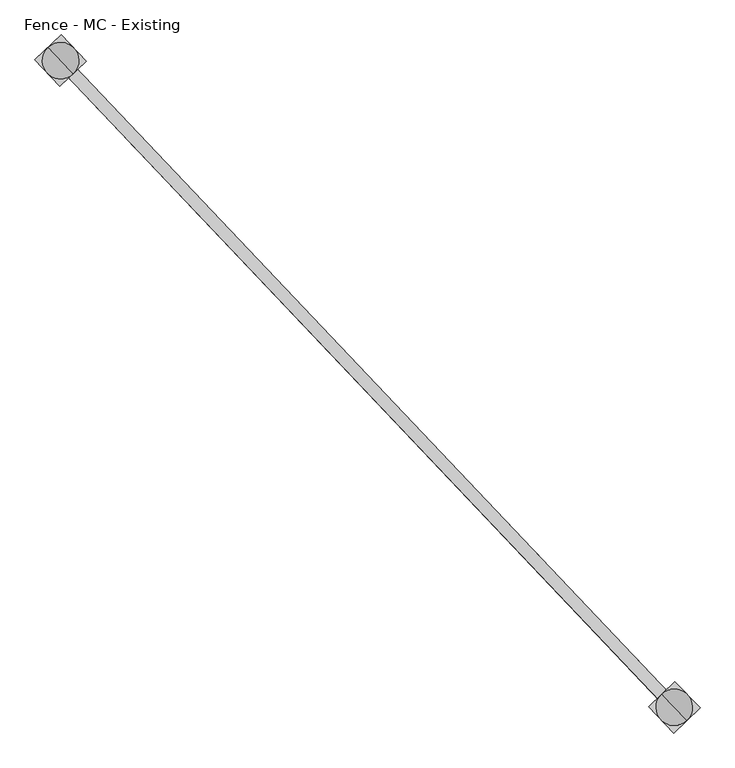
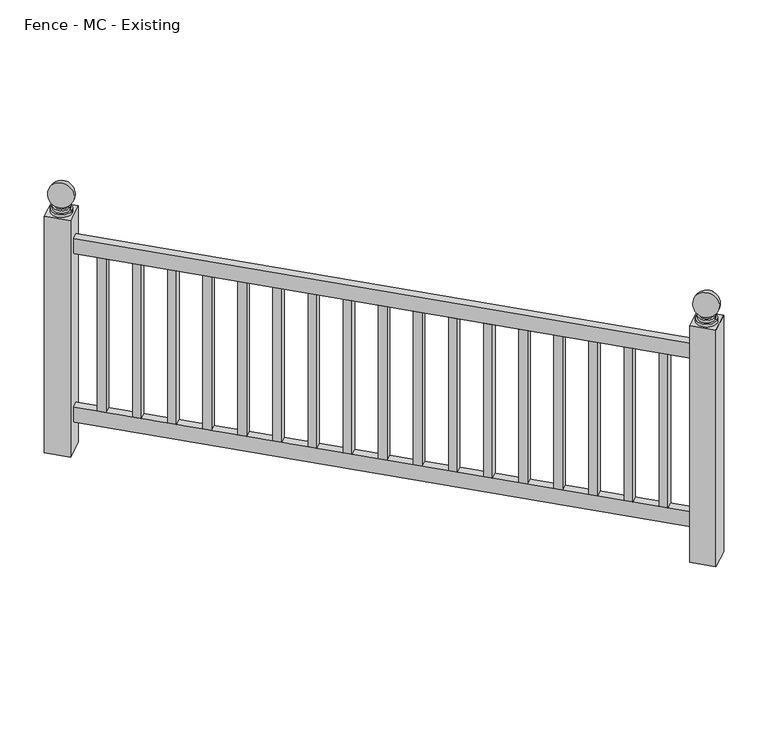
"""IFC4 building model written with IfcOpenShell, lengths in millimetres: railing geometry, Fence - MC - Existing."""

from ifc_helpers import new_model, si_unit, point, frame, origin, place, context, project, spatial, polyline, circle_curve, ellipse_curve, trimmed, outline, extrude, source, transform, mapped, element, save
from ifc_brep_helpers import plane_surface, cylinder_surface, revolved_surface, advanced_brep


def fence_mc_existing_2376e218(model_context):
    return source(origin(), model_context, "Body", "SolidModel", [
        extrude(outline(polyline([(104516.2191087, 39747.0575446), (104497.7945997, 39729.5733384), (103212.7054423, 41083.7747516), (103231.1299514, 41101.2589579), (104516.2191087, 39747.0575446)])), frame((0.0, 0.0, 27660.6), z_axis=(0.0, 0.0, 1.0), x_axis=(1.0, 0.0, 0.0)), (0.0, 0.0, 1.0), 50.8),
        extrude(outline(polyline([(104516.2191087, 39747.0575446), (104497.7945997, 39729.5733384), (103212.7054423, 41083.7747516), (103231.1299514, 41101.2589579), (104516.2191087, 39747.0575446)])), frame((0.0, 0.0, 27089.1), z_axis=(0.0, 0.0, 1.0), x_axis=(1.0, 0.0, 0.0)), (0.0, 0.0, 1.0), 50.8),
        extrude(outline(polyline([(103252.9852091, 41078.2283216), (103234.5607001, 41060.7441154), (103217.0764939, 41079.1686244), (103235.5010029, 41096.6528306), (103252.9852091, 41078.2283216)])), frame((0.0, 0.0, 27139.9), z_axis=(0.0, 0.0, 1.0), x_axis=(1.0, 0.0, 0.0)), (0.0, 0.0, 1.0), 520.7),
        extrude(outline(polyline([(103322.922034, 41004.5302855), (103304.497525, 40987.0460793), (103287.0133188, 41005.4705883), (103305.4378278, 41022.9547945), (103322.922034, 41004.5302855)])), frame((0.0, 0.0, 27139.9), z_axis=(0.0, 0.0, 1.0), x_axis=(1.0, 0.0, 0.0)), (0.0, 0.0, 1.0), 520.7),
        extrude(outline(polyline([(103392.8588589, 40930.8322494), (103374.4343499, 40913.3480432), (103356.9501437, 40931.7725522), (103375.3746527, 40949.2567584), (103392.8588589, 40930.8322494)])), frame((0.0, 0.0, 27139.9), z_axis=(0.0, 0.0, 1.0), x_axis=(1.0, 0.0, 0.0)), (0.0, 0.0, 1.0), 520.7),
        extrude(outline(polyline([(103462.7956838, 40857.1342133), (103444.3711748, 40839.6500071), (103426.8869686, 40858.0745161), (103445.3114776, 40875.5587223), (103462.7956838, 40857.1342133)])), frame((0.0, 0.0, 27139.9), z_axis=(0.0, 0.0, 1.0), x_axis=(1.0, 0.0, 0.0)), (0.0, 0.0, 1.0), 520.7),
        extrude(outline(polyline([(103532.7325087, 40783.4361772), (103514.3079997, 40765.951971), (103496.8237935, 40784.37648), (103515.2483025, 40801.8606862), (103532.7325087, 40783.4361772)])), frame((0.0, 0.0, 27139.9), z_axis=(0.0, 0.0, 1.0), x_axis=(1.0, 0.0, 0.0)), (0.0, 0.0, 1.0), 520.7),
        extrude(outline(polyline([(103602.6693336, 40709.7381411), (103584.2448246, 40692.2539349), (103566.7606184, 40710.6784439), (103585.1851274, 40728.1626501), (103602.6693336, 40709.7381411)])), frame((0.0, 0.0, 27139.9), z_axis=(0.0, 0.0, 1.0), x_axis=(1.0, 0.0, 0.0)), (0.0, 0.0, 1.0), 520.7),
        extrude(outline(polyline([(103672.6061585, 40636.040105), (103654.1816495, 40618.5558988), (103636.6974432, 40636.9804078), (103655.1219523, 40654.464614), (103672.6061585, 40636.040105)])), frame((0.0, 0.0, 27139.9), z_axis=(0.0, 0.0, 1.0), x_axis=(1.0, 0.0, 0.0)), (0.0, 0.0, 1.0), 520.7),
        extrude(outline(polyline([(103742.5429834, 40562.3420689), (103724.1184744, 40544.8578627), (103706.6342681, 40563.2823717), (103725.0587772, 40580.7665779), (103742.5429834, 40562.3420689)])), frame((0.0, 0.0, 27139.9), z_axis=(0.0, 0.0, 1.0), x_axis=(1.0, 0.0, 0.0)), (0.0, 0.0, 1.0), 520.7),
        extrude(outline(polyline([(103812.4798083, 40488.6440328), (103794.0552992, 40471.1598266), (103776.571093, 40489.5843356), (103794.995602, 40507.0685418), (103812.4798083, 40488.6440328)])), frame((0.0, 0.0, 27139.9), z_axis=(0.0, 0.0, 1.0), x_axis=(1.0, 0.0, 0.0)), (0.0, 0.0, 1.0), 520.7),
        extrude(outline(polyline([(103882.4166332, 40414.9459967), (103863.9921241, 40397.4617905), (103846.5079179, 40415.8862995), (103864.9324269, 40433.3705057), (103882.4166332, 40414.9459967)])), frame((0.0, 0.0, 27139.9), z_axis=(0.0, 0.0, 1.0), x_axis=(1.0, 0.0, 0.0)), (0.0, 0.0, 1.0), 520.7),
        extrude(outline(polyline([(103952.3534581, 40341.2479606), (103933.928949, 40323.7637544), (103916.4447428, 40342.1882634), (103934.8692518, 40359.6724696), (103952.3534581, 40341.2479606)])), frame((0.0, 0.0, 27139.9), z_axis=(0.0, 0.0, 1.0), x_axis=(1.0, 0.0, 0.0)), (0.0, 0.0, 1.0), 520.7),
        extrude(outline(polyline([(104022.2902829, 40267.5499245), (104003.8657739, 40250.0657183), (103986.3815677, 40268.4902273), (104004.8060767, 40285.9744336), (104022.2902829, 40267.5499245)])), frame((0.0, 0.0, 27139.9), z_axis=(0.0, 0.0, 1.0), x_axis=(1.0, 0.0, 0.0)), (0.0, 0.0, 1.0), 520.7),
        extrude(outline(polyline([(104092.2271078, 40193.8518884), (104073.8025988, 40176.3676822), (104056.3183926, 40194.7921912), (104074.7429016, 40212.2763975), (104092.2271078, 40193.8518884)])), frame((0.0, 0.0, 27139.9), z_axis=(0.0, 0.0, 1.0), x_axis=(1.0, 0.0, 0.0)), (0.0, 0.0, 1.0), 520.7),
        extrude(outline(polyline([(104162.1639327, 40120.1538523), (104143.7394237, 40102.6696461), (104126.2552175, 40121.0941551), (104144.6797265, 40138.5783614), (104162.1639327, 40120.1538523)])), frame((0.0, 0.0, 27139.9), z_axis=(0.0, 0.0, 1.0), x_axis=(1.0, 0.0, 0.0)), (0.0, 0.0, 1.0), 520.7),
        extrude(outline(polyline([(104232.1007576, 40046.4558162), (104213.6762486, 40028.97161), (104196.1920424, 40047.396119), (104214.6165514, 40064.8803253), (104232.1007576, 40046.4558162)])), frame((0.0, 0.0, 27139.9), z_axis=(0.0, 0.0, 1.0), x_axis=(1.0, 0.0, 0.0)), (0.0, 0.0, 1.0), 520.7),
        extrude(outline(polyline([(104302.0375825, 39972.7577802), (104283.6130735, 39955.2735739), (104266.1288673, 39973.698083), (104284.5533763, 39991.1822892), (104302.0375825, 39972.7577802)])), frame((0.0, 0.0, 27139.9), z_axis=(0.0, 0.0, 1.0), x_axis=(1.0, 0.0, 0.0)), (0.0, 0.0, 1.0), 520.7),
        extrude(outline(polyline([(104371.9744074, 39899.0597441), (104353.5498984, 39881.5755378), (104336.0656921, 39900.0000469), (104354.4902012, 39917.4842531), (104371.9744074, 39899.0597441)])), frame((0.0, 0.0, 27139.9), z_axis=(0.0, 0.0, 1.0), x_axis=(1.0, 0.0, 0.0)), (0.0, 0.0, 1.0), 520.7),
        extrude(outline(polyline([(104441.9112323, 39825.361708), (104423.4867233, 39807.8775017), (104406.002517, 39826.3020108), (104424.4270261, 39843.786217), (104441.9112323, 39825.361708)])), frame((0.0, 0.0, 27139.9), z_axis=(0.0, 0.0, 1.0), x_axis=(1.0, 0.0, 0.0)), (0.0, 0.0, 1.0), 520.7),
        extrude(outline(polyline([(104511.8480572, 39751.6636719), (104493.4235482, 39734.1794656), (104475.9393419, 39752.6039747), (104494.363851, 39770.0881809), (104511.8480572, 39751.6636719)])), frame((0.0, 0.0, 27139.9), z_axis=(0.0, 0.0, 1.0), x_axis=(1.0, 0.0, 0.0)), (0.0, 0.0, 1.0), 520.7),
        advanced_brep(
        [(103200.0624391, 41115.547491, 27787.6), (103243.7729546, 41069.4862185, 27787.6), (103221.9176969, 41092.5168547, 27787.6), (103200.0624391, 41115.547491, 27797.125), (103243.7729546, 41069.4862185, 27797.125), (103204.4334906, 41110.9413638, 27797.125), (103239.4019031, 41074.0923457, 27797.125), (103204.4334906, 41110.9413638, 27806.65), (103239.4019031, 41074.0923457, 27806.65), (103208.8045422, 41106.3352365, 27806.65), (103235.0308515, 41078.698473, 27806.65), (103208.8045422, 41106.3352365, 27811.7544321), (103235.0308515, 41078.698473, 27811.7544321), (103221.9176969, 41092.5168547, 27882.85)],
        [
            (0, 1, circle_curve(frame((103221.9176969, 41092.5168547, 27787.6), z_axis=(0.0, 0.0, -1.0), x_axis=(0.6883545756937386, -0.7253743710123023, 0.0)), 31.75)),
            (1, 2),
            (2, 0),
            (1, 0, circle_curve(frame((103221.9176969, 41092.5168547, 27787.6), z_axis=(0.0, 0.0, -1.0), x_axis=(0.6883545756937386, -0.7253743710123023, 0.0)), 31.75)),
            (0, 3),
            (3, 4, circle_curve(frame((103221.9176969, 41092.5168547, 27797.125), z_axis=(0.0, 0.0, -1.0), x_axis=(0.6883545756937386, -0.7253743710123023, 0.0)), 31.75)),
            (4, 1),
            (4, 3, circle_curve(frame((103221.9176969, 41092.5168547, 27797.125), z_axis=(0.0, 0.0, -1.0), x_axis=(0.6883545756937386, -0.7253743710123023, 0.0)), 31.75)),
            (3, 5),
            (5, 6, circle_curve(frame((103221.9176969, 41092.5168547, 27797.125), z_axis=(0.0, 0.0, -1.0), x_axis=(0.6883545756937386, -0.7253743710123023, 0.0)), 25.4)),
            (6, 4),
            (6, 5, circle_curve(frame((103221.9176969, 41092.5168547, 27797.125), z_axis=(0.0, 0.0, -1.0), x_axis=(0.6883545756937386, -0.7253743710123023, 0.0)), 25.4)),
            (5, 7),
            (7, 8, circle_curve(frame((103221.9176969, 41092.5168547, 27806.65), z_axis=(0.0, 0.0, -1.0), x_axis=(0.6883545756937386, -0.7253743710123023, 0.0)), 25.4)),
            (8, 6),
            (8, 7, circle_curve(frame((103221.9176969, 41092.5168547, 27806.65), z_axis=(0.0, 0.0, -1.0), x_axis=(0.6883545756937386, -0.7253743710123023, 0.0)), 25.4)),
            (7, 9),
            (9, 10, circle_curve(frame((103221.9176969, 41092.5168547, 27806.65), z_axis=(0.0, 0.0, -1.0), x_axis=(0.6883545756937386, -0.7253743710123023, 0.0)), 19.05)),
            (10, 8),
            (10, 9, circle_curve(frame((103221.9176969, 41092.5168547, 27806.65), z_axis=(0.0, 0.0, -1.0), x_axis=(0.6883545756937386, -0.7253743710123023, 0.0)), 19.05)),
            (9, 11),
            (11, 12, circle_curve(frame((103221.9176969, 41092.5168547, 27811.7544321), z_axis=(0.0, 0.0, -1.0), x_axis=(0.6883545756937386, -0.7253743710123023, 0.0)), 19.05)),
            (12, 10),
            (12, 11, circle_curve(frame((103221.9176969, 41092.5168547, 27811.7544321), z_axis=(0.0, 0.0, -1.0), x_axis=(0.6883545756937386, -0.7253743710123023, 0.0)), 19.05)),
            (11, 13, circle_curve(frame((103221.9176969, 41092.5168547, 27844.75), z_axis=(0.7253743710123045, 0.6883545756937363, 0.0), x_axis=(-0.6883545756937363, 0.7253743710123045, 0.0)), 38.1)),
            (13, 12, circle_curve(frame((103221.9176969, 41092.5168547, 27844.75), z_axis=(0.7253743710123023, 0.6883545756937386, 0.0), x_axis=(0.6883545756937386, -0.7253743710123023, 0.0)), 38.1)),
        ],
        [
            plane_surface(frame((103221.9176969, 41092.5168547, 27787.6), z_axis=(0.0, 0.0, -1.0), x_axis=(0.6883545756937386, -0.7253743710123023, 0.0))),
            cylinder_surface(frame((103221.9176969, 41092.5168547, 27787.6), z_axis=(0.0, 0.0, 1.0), x_axis=(0.6883545756937386, -0.7253743710123023, 0.0)), 31.75),
            plane_surface(frame((103221.9176969, 41092.5168547, 27797.125), z_axis=(0.0, 0.0, 1.0), x_axis=(0.6883545756937386, -0.7253743710123023, 0.0))),
            cylinder_surface(frame((103221.9176969, 41092.5168547, 27787.6), z_axis=(0.0, 0.0, 1.0), x_axis=(0.6883545756937386, -0.7253743710123023, 0.0)), 25.4),
            plane_surface(frame((103221.9176969, 41092.5168547, 27806.65), z_axis=(0.0, 0.0, 1.0), x_axis=(0.6883545756937386, -0.7253743710123023, 0.0))),
            cylinder_surface(frame((103221.9176969, 41092.5168547, 27787.6), z_axis=(0.0, 0.0, 1.0), x_axis=(0.6883545756937386, -0.7253743710123023, 0.0)), 19.05),
            revolved_surface(trimmed(ellipse_curve(frame((103221.9176969, 41092.5168547, 27844.75), z_axis=(-0.7253743710123023, -0.6883545756937386, 0.0), x_axis=(0.6883545756937386, -0.7253743710123023, 0.0)), 38.1, 38.1), [point((103235.0308515, 41078.698473, 27811.7544321))], [point((103221.9176969, 41092.5168547, 27882.85))], True, "CARTESIAN"), (103221.9176969, 41092.5168547, 27787.6), (0.0, 0.0, 1.0)),
        ],
        [
            (0, [[1, 2, 3]]),
            (0, [[-2, 4, -3]]),
            (1, [[-1, 5, 6, 7]]),
            (1, [[-4, -7, 8, -5]]),
            (2, [[-6, 9, 10, 11]]),
            (2, [[-8, -11, 12, -9]]),
            (3, [[-10, 13, 14, 15]]),
            (3, [[-12, -15, 16, -13]]),
            (4, [[-14, 17, 18, 19]]),
            (4, [[-16, -19, 20, -17]]),
            (5, [[-18, 21, 22, 23]]),
            (5, [[-20, -23, 24, -21]]),
            (6, [[-22, 25, 26]]),
            (6, [[-24, -26, -25]]),
        ],
    ),
        extrude(outline(polyline([(103220.5072427, 41038.6537819), (103168.054624, 41093.9273089), (103223.3281511, 41146.3799276), (103275.7807697, 41091.1064005), (103220.5072427, 41038.6537819)])), frame((0.0, 0.0, 26987.5), z_axis=(0.0, 0.0, 1.0), x_axis=(1.0, 0.0, 0.0)), (0.0, 0.0, 1.0), 800.1),
        advanced_brep(
        [(104485.1515964, 39761.3460778, 27787.6), (104528.862112, 39715.2848052, 27787.6), (104507.0068542, 39738.3154415, 27787.6), (104485.1515964, 39761.3460778, 27797.125), (104528.862112, 39715.2848052, 27797.125), (104489.522648, 39756.7399505, 27797.125), (104524.4910604, 39719.8909325, 27797.125), (104489.522648, 39756.7399505, 27806.65), (104524.4910604, 39719.8909325, 27806.65), (104493.8936996, 39752.1338233, 27806.65), (104520.1200089, 39724.4970597, 27806.65), (104493.8936996, 39752.1338233, 27811.7544321), (104520.1200089, 39724.4970597, 27811.7544321), (104507.0068542, 39738.3154415, 27882.85)],
        [
            (0, 1, circle_curve(frame((104507.0068542, 39738.3154415, 27787.6), z_axis=(0.0, 0.0, -1.0), x_axis=(0.6883545756937386, -0.7253743710123023, 0.0)), 31.75)),
            (1, 2),
            (2, 0),
            (1, 0, circle_curve(frame((104507.0068542, 39738.3154415, 27787.6), z_axis=(0.0, 0.0, -1.0), x_axis=(0.6883545756937386, -0.7253743710123023, 0.0)), 31.75)),
            (0, 3),
            (3, 4, circle_curve(frame((104507.0068542, 39738.3154415, 27797.125), z_axis=(0.0, 0.0, -1.0), x_axis=(0.6883545756937386, -0.7253743710123023, 0.0)), 31.75)),
            (4, 1),
            (4, 3, circle_curve(frame((104507.0068542, 39738.3154415, 27797.125), z_axis=(0.0, 0.0, -1.0), x_axis=(0.6883545756937386, -0.7253743710123023, 0.0)), 31.75)),
            (3, 5),
            (5, 6, circle_curve(frame((104507.0068542, 39738.3154415, 27797.125), z_axis=(0.0, 0.0, -1.0), x_axis=(0.6883545756937386, -0.7253743710123023, 0.0)), 25.4)),
            (6, 4),
            (6, 5, circle_curve(frame((104507.0068542, 39738.3154415, 27797.125), z_axis=(0.0, 0.0, -1.0), x_axis=(0.6883545756937386, -0.7253743710123023, 0.0)), 25.4)),
            (5, 7),
            (7, 8, circle_curve(frame((104507.0068542, 39738.3154415, 27806.65), z_axis=(0.0, 0.0, -1.0), x_axis=(0.6883545756937386, -0.7253743710123023, 0.0)), 25.4)),
            (8, 6),
            (8, 7, circle_curve(frame((104507.0068542, 39738.3154415, 27806.65), z_axis=(0.0, 0.0, -1.0), x_axis=(0.6883545756937386, -0.7253743710123023, 0.0)), 25.4)),
            (7, 9),
            (9, 10, circle_curve(frame((104507.0068542, 39738.3154415, 27806.65), z_axis=(0.0, 0.0, -1.0), x_axis=(0.6883545756937386, -0.7253743710123023, 0.0)), 19.05)),
            (10, 8),
            (10, 9, circle_curve(frame((104507.0068542, 39738.3154415, 27806.65), z_axis=(0.0, 0.0, -1.0), x_axis=(0.6883545756937386, -0.7253743710123023, 0.0)), 19.05)),
            (9, 11),
            (11, 12, circle_curve(frame((104507.0068542, 39738.3154415, 27811.7544321), z_axis=(0.0, 0.0, -1.0), x_axis=(0.6883545756937386, -0.7253743710123023, 0.0)), 19.05)),
            (12, 10),
            (12, 11, circle_curve(frame((104507.0068542, 39738.3154415, 27811.7544321), z_axis=(0.0, 0.0, -1.0), x_axis=(0.6883545756937386, -0.7253743710123023, 0.0)), 19.05)),
            (11, 13, circle_curve(frame((104507.0068542, 39738.3154415, 27844.75), z_axis=(0.7253743710123045, 0.6883545756937363, 0.0), x_axis=(-0.6883545756937363, 0.7253743710123045, 0.0)), 38.1)),
            (13, 12, circle_curve(frame((104507.0068542, 39738.3154415, 27844.75), z_axis=(0.7253743710123023, 0.6883545756937386, 0.0), x_axis=(0.6883545756937386, -0.7253743710123023, 0.0)), 38.1)),
        ],
        [
            plane_surface(frame((104507.0068542, 39738.3154415, 27787.6), z_axis=(0.0, 0.0, -1.0), x_axis=(0.6883545756937386, -0.7253743710123023, 0.0))),
            cylinder_surface(frame((104507.0068542, 39738.3154415, 27787.6), z_axis=(0.0, 0.0, 1.0), x_axis=(0.6883545756937386, -0.7253743710123023, 0.0)), 31.75),
            plane_surface(frame((104507.0068542, 39738.3154415, 27797.125), z_axis=(0.0, 0.0, 1.0), x_axis=(0.6883545756937386, -0.7253743710123023, 0.0))),
            cylinder_surface(frame((104507.0068542, 39738.3154415, 27787.6), z_axis=(0.0, 0.0, 1.0), x_axis=(0.6883545756937386, -0.7253743710123023, 0.0)), 25.4),
            plane_surface(frame((104507.0068542, 39738.3154415, 27806.65), z_axis=(0.0, 0.0, 1.0), x_axis=(0.6883545756937386, -0.7253743710123023, 0.0))),
            cylinder_surface(frame((104507.0068542, 39738.3154415, 27787.6), z_axis=(0.0, 0.0, 1.0), x_axis=(0.6883545756937386, -0.7253743710123023, 0.0)), 19.05),
            revolved_surface(trimmed(ellipse_curve(frame((104507.0068542, 39738.3154415, 27844.75), z_axis=(-0.7253743710123023, -0.6883545756937386, 0.0), x_axis=(0.6883545756937386, -0.7253743710123023, 0.0)), 38.1, 38.1), [point((104520.1200089, 39724.4970597, 27811.7544321))], [point((104507.0068542, 39738.3154415, 27882.85))], True, "CARTESIAN"), (104507.0068542, 39738.3154415, 27787.6), (0.0, 0.0, 1.0)),
        ],
        [
            (0, [[1, 2, 3]]),
            (0, [[-2, 4, -3]]),
            (1, [[-1, 5, 6, 7]]),
            (1, [[-4, -7, 8, -5]]),
            (2, [[-6, 9, 10, 11]]),
            (2, [[-8, -11, 12, -9]]),
            (3, [[-10, 13, 14, 15]]),
            (3, [[-12, -15, 16, -13]]),
            (4, [[-14, 17, 18, 19]]),
            (4, [[-16, -19, 20, -17]]),
            (5, [[-18, 21, 22, 23]]),
            (5, [[-20, -23, 24, -21]]),
            (6, [[-22, 25, 26]]),
            (6, [[-24, -26, -25]]),
        ],
    ),
        extrude(outline(polyline([(104505.5964, 39684.4523686), (104453.1437813, 39739.7258957), (104508.4173084, 39792.1785144), (104560.8699271, 39736.9049873), (104505.5964, 39684.4523686)])), frame((0.0, 0.0, 26987.5), z_axis=(0.0, 0.0, 1.0), x_axis=(1.0, 0.0, 0.0)), (0.0, 0.0, 1.0), 800.1),
    ])


if __name__ == "__main__":
    model = new_model("IFC4")
    model_context = context("Model", 3, world=origin())
    ifc_project = project(units=[si_unit("LENGTHUNIT", "METRE", prefix="MILLI")], contexts=[model_context])
    site = spatial("IfcSite", under=ifc_project)
    building = spatial("IfcBuilding", under=site)
    placement = place(None, origin())
    fence_mc_existing_shape = fence_mc_existing_2376e218(model_context)
    element("IfcRailing", 1, ObjectType="Fence - MC - Existing", at=placement, inside=building, context=model_context, shape_type="MappedRepresentation", body=[
        mapped(fence_mc_existing_shape, transform((0.0, 0.0, 0.0), x_axis=(1.0, 0.0, 0.0), y_axis=(0.0, 1.0, 0.0), z_axis=(0.0, 0.0, 1.0))),
    ])
    save(model, "model.ifc")
